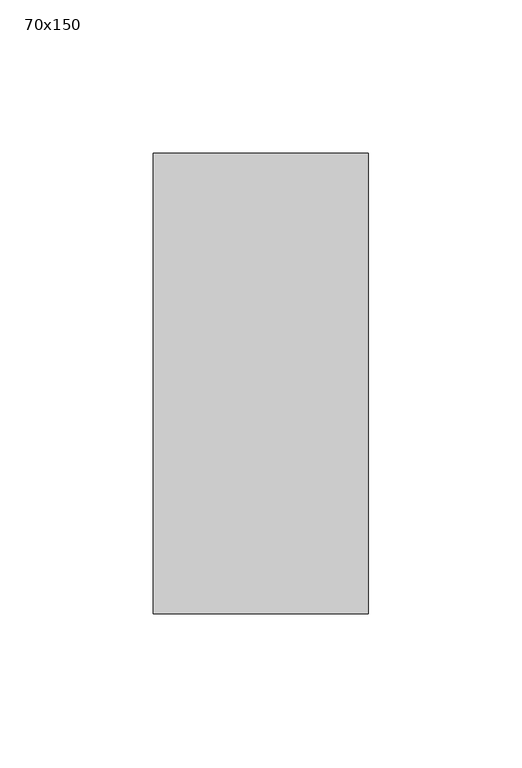
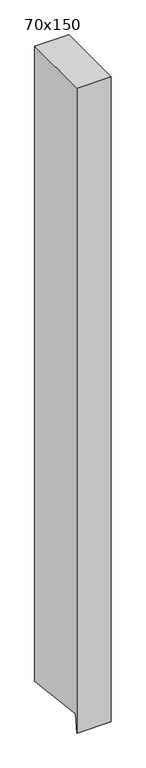
"""IFC4 building model written with IfcOpenShell, lengths in millimetres: member geometry, 70x150."""

from ifc_helpers import new_model, si_unit, frame, origin, place, context, project, spatial, polyline, outline, extrude, source, transform, mapped, element, save


def member_70x150_567bd6b5(model_context):
    return source(origin(), model_context, "Body", "SweptSolid", [
        extrude(outline(polyline([(-75.0, 0.0), (75.0, 0.0), (75.0, -1377.7945963), (-70.2424427, -1360.186108), (-75.0, -1399.4285025), (-75.0, 0.0)])), frame((-70.0, 0.0, 0.0), z_axis=(1.0, 0.0, 0.0), x_axis=(0.0, 1.0, 0.0)), (0.0, 0.0, 1.0), 70.0),
    ])


if __name__ == "__main__":
    model = new_model("IFC4")
    model_context = context("Model", 3, world=origin())
    ifc_project = project(units=[si_unit("LENGTHUNIT", "METRE", prefix="MILLI")], contexts=[model_context])
    site = spatial("IfcSite", under=ifc_project)
    building = spatial("IfcBuilding", under=site)
    placement = place(None, origin())
    member_70x150_shape = member_70x150_567bd6b5(model_context)
    element("IfcMember", 1, ObjectType="70x150", at=placement, inside=building, context=model_context, shape_type="MappedRepresentation", body=[
        mapped(member_70x150_shape, transform((0.0, 0.0, 0.0), x_axis=(1.0, 0.0, 0.0), y_axis=(0.0, 1.0, 0.0), z_axis=(0.0, 0.0, 1.0))),
    ])
    save(model, "model.ifc")
